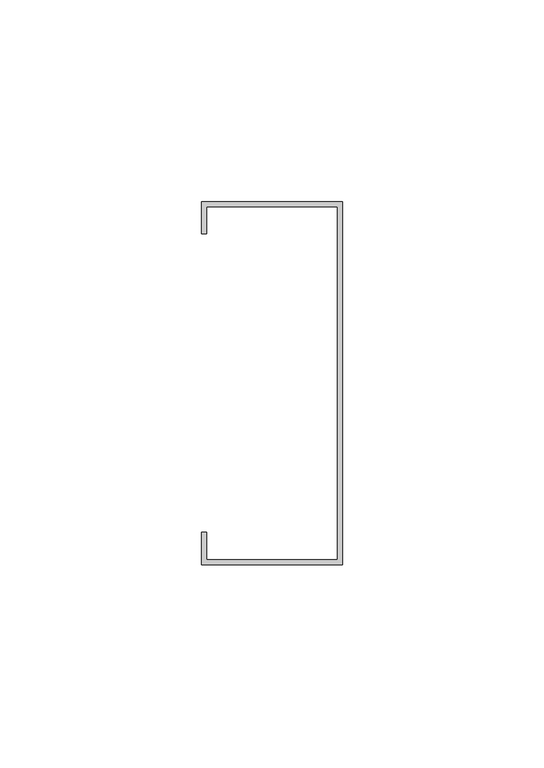
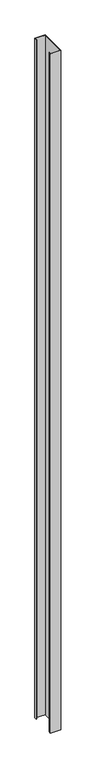
"""IFC4 building model written with IfcOpenShell, lengths in millimetres: proxy geometry."""

import ifcopenshell
import ifcopenshell.guid

model = None  # the IFC model being written
_history = None  # IfcOwnerHistory: only IFC2X3 demands one
_inside = {}  # id of a spatial element -> (the spatial element, [elements in it])
_under = {}  # id of a project, library or spatial element -> (it, [spatial elements below it])
_declared = {}  # id of a project -> (the project, [libraries it declares])
_typed = {}  # id of a type object -> (the type object, [elements of that type])
_made_of = {}  # id of a material, layer set ... -> (it, [elements and type objects made of it])


def new_model(schema):
    """Start an empty IFC model of exactly this schema.

    Asked for "IFC4X3", IfcOpenShell would pick the latest addendum, in which some entities
    have other attributes; the version numbers below select the first issue.
    IFC2X3 requires an IfcOwnerHistory on every rooted entity: one is made here for all.
    """
    global model, _history
    if schema == "IFC4X3":
        model = ifcopenshell.file(schema_version=(4, 3, 0, 0))
    else:
        model = ifcopenshell.file(schema=schema)
    _inside.clear()
    _under.clear()
    _declared.clear()
    _typed.clear()
    _made_of.clear()
    _history = None
    if model.schema == "IFC2X3":
        org = make("IfcOrganization", Name="unknown")
        user = make(
            "IfcPersonAndOrganization",
            ThePerson=make("IfcPerson", FamilyName="unknown"),
            TheOrganization=org,
        )
        app = make(
            "IfcApplication",
            ApplicationDeveloper=org,
            Version="unknown",
            ApplicationFullName="unknown",
            ApplicationIdentifier="unknown",
        )
        _history = make(
            "IfcOwnerHistory",
            OwningUser=user,
            OwningApplication=app,
            ChangeAction="ADDED",
            CreationDate=0,
        )
    return model


def make(cls, **values):
    """One entity of the class cls with the attributes given. An attribute that is None is left unset."""
    return model.create_entity(
        cls, **{name: value for name, value in values.items() if value is not None}
    )


def rooted(cls, **values):
    """An entity with a GlobalId (a new one), such as an element, a storey or a relation."""
    return make(cls, GlobalId=ifcopenshell.guid.new(), OwnerHistory=_history, **values)


def si_unit(unit_type, name, prefix=None):
    """IfcSIUnit, for example si_unit("LENGTHUNIT", "METRE", prefix="MILLI")."""
    return make("IfcSIUnit", UnitType=unit_type, Prefix=prefix, Name=name)


def assignment(units):
    """IfcUnitAssignment: the units of a project."""
    return None if units is None else make("IfcUnitAssignment", Units=units)


def point(xyz):
    """IfcCartesianPoint."""
    return None if xyz is None else make("IfcCartesianPoint", Coordinates=xyz)


def direction(xyz):
    """IfcDirection."""
    return None if xyz is None else make("IfcDirection", DirectionRatios=xyz)


def frame(location, z_axis=None, x_axis=None):
    """IfcAxis2Placement3D, a coordinate frame: its origin and axes. An axis left out is left unset."""
    return make(
        "IfcAxis2Placement3D",
        Location=point(location),
        Axis=direction(z_axis),
        RefDirection=direction(x_axis),
    )


def origin():
    """The frame at (0, 0, 0) with its axes left unset."""
    return frame((0.0, 0.0, 0.0))


def origin_with_axes():
    """The frame at (0, 0, 0) with the z axis (0, 0, 1) and the x axis (1, 0, 0) written out."""
    return frame((0.0, 0.0, 0.0), z_axis=(0.0, 0.0, 1.0), x_axis=(1.0, 0.0, 0.0))


def place(relative_to, where):
    """IfcLocalPlacement: puts the frame where relative to a parent placement (None: the world)."""
    return make(
        "IfcLocalPlacement", PlacementRelTo=relative_to, RelativePlacement=where
    )


def context(
    kind, dimensions, precision=None, world=None, true_north=None, identifier=None
):
    """IfcGeometricRepresentationContext, for example the 3D "Model" context."""
    return make(
        "IfcGeometricRepresentationContext",
        ContextIdentifier=identifier,
        ContextType=kind,
        CoordinateSpaceDimension=dimensions,
        Precision=precision,
        WorldCoordinateSystem=world,
        TrueNorth=true_north,
    )


def project(units=None, contexts=None):
    """IfcProject with its units and contexts."""
    return rooted(
        "IfcProject",
        Name="project",
        RepresentationContexts=contexts,
        UnitsInContext=assignment(units),
    )


def spatial(cls, under=None, at=None, **own):
    """A site, building, storey or space (cls), placed at a placement, below another one or the project."""
    s = rooted(cls, ObjectPlacement=at, **own)
    if under is not None:
        _under.setdefault(under.id(), (under, []))[1].append(s)
    return s


def polyline(points):
    """IfcPolyline through the points."""
    return make("IfcPolyline", Points=[point(p) for p in points])


def outline(outer, holes=None, kind="AREA"):
    """IfcArbitraryClosedProfileDef: a profile drawn as a closed curve; with holes, ...WithVoids."""
    if holes is None:
        return make("IfcArbitraryClosedProfileDef", ProfileType=kind, OuterCurve=outer)
    return make(
        "IfcArbitraryProfileDefWithVoids",
        ProfileType=kind,
        OuterCurve=outer,
        InnerCurves=holes,
    )


def extrude(swept, where, along, depth):
    """IfcExtrudedAreaSolid: the profile swept, set in the frame where, extruded along a direction by depth."""
    return make(
        "IfcExtrudedAreaSolid",
        SweptArea=swept,
        Position=where,
        ExtrudedDirection=direction(along),
        Depth=depth,
    )


def shape(context_of_items, identifier, shape_type, items):
    """IfcShapeRepresentation: the items that make up one representation, for example the "Body"."""
    return make(
        "IfcShapeRepresentation",
        ContextOfItems=context_of_items,
        RepresentationIdentifier=identifier,
        RepresentationType=shape_type,
        Items=items,
    )


def source(mapping_origin, context_of_items, identifier, shape_type, items):
    """IfcRepresentationMap: a shape defined once, which mapped items show again and again."""
    return make(
        "IfcRepresentationMap",
        MappingOrigin=mapping_origin,
        MappedRepresentation=shape(context_of_items, identifier, shape_type, items),
    )


def transform(
    local_origin,
    x_axis=None,
    y_axis=None,
    z_axis=None,
    scale=None,
    scale2=None,
    scale3=None,
    uniform=True,
):
    """IfcCartesianTransformationOperator3D, or its non-uniform kind. x_axis, y_axis, z_axis: its Axis1, 2, 3."""
    if uniform:
        return make(
            "IfcCartesianTransformationOperator3D",
            Axis1=direction(x_axis),
            Axis2=direction(y_axis),
            LocalOrigin=point(local_origin),
            Scale=scale,
            Axis3=direction(z_axis),
        )
    return make(
        "IfcCartesianTransformationOperator3DnonUniform",
        Axis1=direction(x_axis),
        Axis2=direction(y_axis),
        LocalOrigin=point(local_origin),
        Scale=scale,
        Axis3=direction(z_axis),
        Scale2=scale2,
        Scale3=scale3,
    )


def mapped(mapping_source, mapping_target):
    """IfcMappedItem: shows the shape of a source again, moved by a transform."""
    return make(
        "IfcMappedItem", MappingSource=mapping_source, MappingTarget=mapping_target
    )


def made_of(thing, what):
    """Note that an element or type object is made of a material, layer set ...; save() writes the relation."""
    if what is not None:
        _made_of.setdefault(what.id(), (what, []))[1].append(thing)
    return thing


def element(
    cls,
    number,
    at=None,
    inside=None,
    cuts=None,
    type_object=None,
    material=None,
    context=None,
    identifier="Body",
    shape_type=None,
    held_by="IfcProductDefinitionShape",
    body=None,
    shapes=None,
    **own,
):
    """One element of the class cls, such as IfcWall. Its Tag is "e" and its number.

    at: its placement. inside: the storey or other place that contains it. cuts: it is an
    opening in that element (IfcRelVoidsElement). A single representation is given by context,
    identifier, shape_type and body (its items); several are given by shapes. held_by: the class
    of the entity that holds the representations. save() writes the other relations.
    """
    e = rooted(cls, Tag="e%d" % number, ObjectPlacement=at, **own)
    if body is not None:
        shapes = [shape(context, identifier, shape_type, body)]
    if shapes is not None:
        e.Representation = make(held_by, Representations=shapes)
    if inside is not None:
        _inside.setdefault(inside.id(), (inside, []))[1].append(e)
    if cuts is not None:
        rooted(
            "IfcRelVoidsElement", RelatingBuildingElement=cuts, RelatedOpeningElement=e
        )
    if type_object is not None:
        _typed.setdefault(type_object.id(), (type_object, []))[1].append(e)
    return made_of(e, material)


def aggregate(whole, parts):
    """IfcRelAggregates: a whole, such as a stair, and the parts it consists of."""
    return rooted("IfcRelAggregates", RelatingObject=whole, RelatedObjects=parts)


def save(model, path):
    """Write the relations noted so far, then the file.

    IfcRelAggregates (storeys below a building ...), IfcRelContainedInSpatialStructure (elements
    in a storey), IfcRelDefinesByType, IfcRelAssociatesMaterial and IfcRelDeclares: one each for
    every whole, place, type object, material and project.
    """
    for whole, parts in _under.values():
        aggregate(whole, parts)
    for where, things in _inside.values():
        rooted(
            "IfcRelContainedInSpatialStructure",
            RelatedElements=things,
            RelatingStructure=where,
        )
    for kind, things in _typed.values():
        rooted("IfcRelDefinesByType", RelatedObjects=things, RelatingType=kind)
    for what, things in _made_of.values():
        rooted("IfcRelAssociatesMaterial", RelatedObjects=things, RelatingMaterial=what)
    for by, libraries in _declared.values():
        rooted("IfcRelDeclares", RelatingContext=by, RelatedDefinitions=libraries)
    model.write(path)


def generic_models_ef64fd22(model_context):
    return source(origin(), model_context, "Body", "SweptSolid", [
        extrude(outline(polyline([(17.5, 45.0), (17.5, -45.0), (-17.5, -45.0), (-17.5, -36.961271), (-16.3, -36.961271), (-16.3, -43.8167207), (16.3, -43.8167207), (16.3, 43.8), (-16.3, 43.8), (-16.3, 36.9908822), (-17.5, 36.9908822), (-17.5, 45.0), (17.5, 45.0)])), origin_with_axes(), (0.0, 0.0, 1.0), 2400.0),
    ])


if __name__ == "__main__":
    model = new_model("IFC4")
    model_context = context("Model", 3, world=origin())
    ifc_project = project(units=[si_unit("LENGTHUNIT", "METRE", prefix="MILLI")], contexts=[model_context])
    site = spatial("IfcSite", under=ifc_project)
    building = spatial("IfcBuilding", under=site)
    placement = place(None, origin())
    generic_models_shape = generic_models_ef64fd22(model_context)
    element("IfcBuildingElementProxy", 1, Name="Generic Models", at=placement, inside=building, context=model_context, shape_type="MappedRepresentation", body=[
        mapped(generic_models_shape, transform((0.0, 0.0, 0.0), x_axis=(1.0, 0.0, 0.0), y_axis=(0.0, 1.0, 0.0), z_axis=(0.0, 0.0, 1.0))),
    ])
    save(model, "model.ifc")
